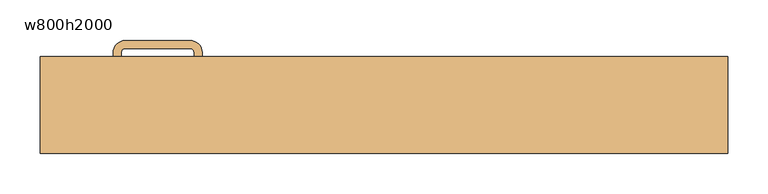
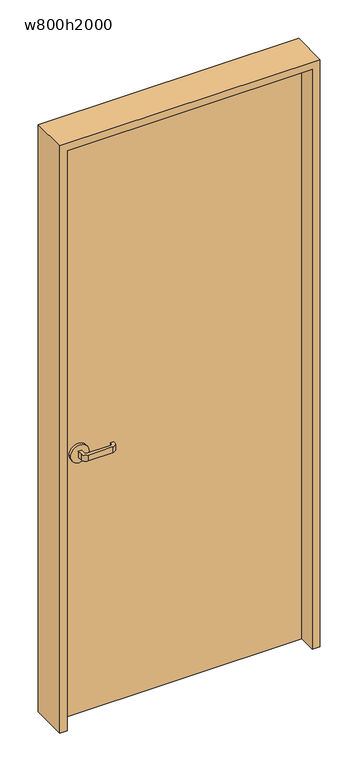
"""IFC4 building model written with IfcOpenShell, lengths in millimetres: door geometry, w800h2000."""

from ifc_helpers import new_model, si_unit, point, frame, frame_2d, origin, origin_with_axes, place, context, project, spatial, polyline, circle_curve, trimmed, segment, composite_curve, outline, extrude, source, transform, mapped, element, save


def w800h2000_3f366617(model_context):
    return source(origin(), model_context, "Body", "SweptSolid", [
        extrude(outline(polyline([(400.0, 40.0), (400.0, 0.0), (-400.0, 0.0), (-400.0, 40.0), (400.0, 40.0)])), origin_with_axes(), (0.0, 0.0, 1.0), 2000.0),
        extrude(outline(composite_curve([segment(polyline([(-325.0, 50.0), (-335.0, 50.0), (-335.0, 65.0)]), True, "CONTINUOUS"), segment(trimmed(circle_curve(frame_2d((-320.0, 65.0)), 15.0), [point((-335.0, 65.0))], [point((-320.0, 80.0))], False, "CARTESIAN"), True, "CONTINUOUS"), segment(polyline([(-320.0, 80.0), (-240.0, 80.0)]), True, "CONTINUOUS"), segment(trimmed(circle_curve(frame_2d((-240.0, 65.0)), 15.0), [point((-240.0, 80.0))], [point((-225.0, 65.0))], False, "CARTESIAN"), True, "CONTINUOUS"), segment(polyline([(-225.0, 65.0), (-225.0, 60.0), (-235.0, 60.0), (-235.0, 65.0)]), True, "CONTINUOUS"), segment(trimmed(circle_curve(frame_2d((-240.0, 65.0)), 5.0), [point((-235.0, 65.0))], [point((-240.0, 70.0))], True, "CARTESIAN"), True, "CONTINUOUS"), segment(polyline([(-240.0, 70.0), (-320.0, 70.0)]), True, "CONTINUOUS"), segment(trimmed(circle_curve(frame_2d((-320.0, 65.0)), 5.0), [point((-320.0, 70.0))], [point((-325.0, 65.0))], True, "CARTESIAN"), True, "CONTINUOUS"), segment(polyline([(-325.0, 65.0), (-325.0, 50.0)]), True, "CONTINUOUS")], self_intersect=False)), frame((0.0, 0.0, 890.0), z_axis=(0.0, 0.0, 1.0), x_axis=(1.0, 0.0, 0.0)), (0.0, 0.0, 1.0), 20.0),
        extrude(outline(composite_curve([segment(trimmed(circle_curve(frame_2d((900.0, -330.0)), 30.0), [point((900.0, -360.0))], [point((900.0, -300.0))], False, "CARTESIAN"), True, "CONTINUOUS"), segment(trimmed(circle_curve(frame_2d((900.0, -330.0)), 30.0), [point((900.0, -300.0))], [point((900.0, -360.0))], False, "CARTESIAN"), True, "CONTINUOUS")], self_intersect=False)), frame((0.0, 40.0, 0.0), z_axis=(0.0, 1.0, 0.0), x_axis=(0.0, 0.0, 1.0)), (0.0, 0.0, 1.0), 10.0),
        extrude(outline(composite_curve([segment(polyline([(-335.0, -10.0), (-325.0, -10.0), (-325.0, -25.0)]), True, "CONTINUOUS"), segment(trimmed(circle_curve(frame_2d((-320.0, -25.0)), 5.0), [point((-325.0, -25.0))], [point((-320.0, -30.0))], True, "CARTESIAN"), True, "CONTINUOUS"), segment(polyline([(-320.0, -30.0), (-240.0, -30.0)]), True, "CONTINUOUS"), segment(trimmed(circle_curve(frame_2d((-240.0, -25.0)), 5.0), [point((-240.0, -30.0))], [point((-235.0, -25.0))], True, "CARTESIAN"), True, "CONTINUOUS"), segment(polyline([(-235.0, -25.0), (-235.0, -20.0), (-225.0, -20.0), (-225.0, -25.0)]), True, "CONTINUOUS"), segment(trimmed(circle_curve(frame_2d((-240.0, -25.0)), 15.0), [point((-225.0, -25.0))], [point((-240.0, -40.0))], False, "CARTESIAN"), True, "CONTINUOUS"), segment(polyline([(-240.0, -40.0), (-320.0, -40.0)]), True, "CONTINUOUS"), segment(trimmed(circle_curve(frame_2d((-320.0, -25.0)), 15.0), [point((-320.0, -40.0))], [point((-335.0, -25.0))], False, "CARTESIAN"), True, "CONTINUOUS"), segment(polyline([(-335.0, -25.0), (-335.0, -10.0)]), True, "CONTINUOUS")], self_intersect=False)), frame((0.0, 0.0, 890.0), z_axis=(0.0, 0.0, 1.0), x_axis=(1.0, 0.0, 0.0)), (0.0, 0.0, 1.0), 20.0),
        extrude(outline(composite_curve([segment(trimmed(circle_curve(frame_2d((900.0, -330.0)), 30.0), [point((900.0, -360.0))], [point((900.0, -300.0))], False, "CARTESIAN"), True, "CONTINUOUS"), segment(trimmed(circle_curve(frame_2d((900.0, -330.0)), 30.0), [point((900.0, -300.0))], [point((900.0, -360.0))], False, "CARTESIAN"), True, "CONTINUOUS")], self_intersect=False)), frame((0.0, -10.0, 0.0), z_axis=(0.0, 1.0, 0.0), x_axis=(0.0, 0.0, 1.0)), (0.0, 0.0, 1.0), 10.0),
        extrude(outline(polyline([(0.0, -425.0), (0.0, -400.0), (2000.0, -400.0), (2000.0, 400.0), (0.0, 400.0), (0.0, 425.0), (2025.0, 425.0), (2025.0, -425.0), (0.0, -425.0)])), frame((0.0, -60.0, 0.0), z_axis=(0.0, 1.0, 0.0), x_axis=(0.0, 0.0, 1.0)), (0.0, 0.0, 1.0), 120.0),
    ])


if __name__ == "__main__":
    model = new_model("IFC4")
    model_context = context("Model", 3, world=origin())
    ifc_project = project(units=[si_unit("LENGTHUNIT", "METRE", prefix="MILLI")], contexts=[model_context])
    site = spatial("IfcSite", under=ifc_project)
    building = spatial("IfcBuilding", under=site)
    placement = place(None, origin())
    w800h2000_shape = w800h2000_3f366617(model_context)
    element("IfcDoor", 1, ObjectType="w800h2000", at=placement, inside=building, context=model_context, shape_type="MappedRepresentation", body=[
        mapped(w800h2000_shape, transform((0.0, 0.0, 0.0), x_axis=(1.0, 0.0, 0.0), y_axis=(0.0, 1.0, 0.0), z_axis=(0.0, 0.0, 1.0))),
    ])
    save(model, "model.ifc")
